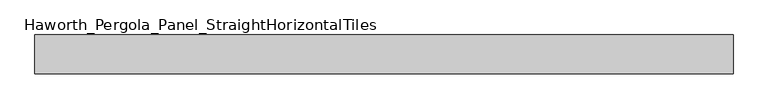
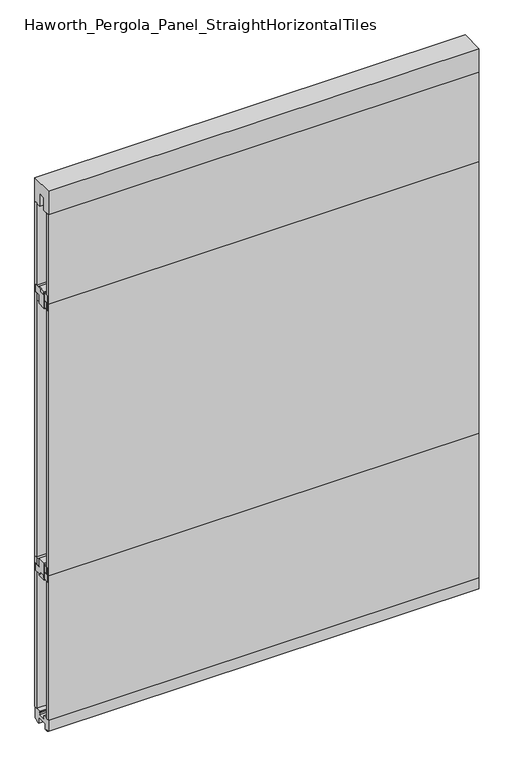
"""IFC4 building model written with IfcOpenShell, lengths in millimetres: furniture geometry, Haworth_Pergola_Panel_StraightHorizontalTiles."""

from ifc_helpers import new_model, si_unit, frame, origin, place, context, project, spatial, polyline, outline, extrude, source, transform, mapped, element, save


def haworth_pergola_panel_straighthorizontaltiles_06ec4934(model_context):
    return source(origin(), model_context, "Body", "SweptSolid", [
        extrude(outline(polyline([(12.7, 679.45), (12.7, 692.15), (-12.7, 692.15), (-12.7, 679.45), (-44.45, 679.45), (-44.45, 711.2), (-19.05, 711.2), (-19.05, 749.3), (19.05, 749.3), (19.05, 711.2), (44.45, 711.2), (44.45, 679.45), (12.7, 679.45)])), frame((-876.3, 0.0, 0.0), z_axis=(1.0, 0.0, 0.0), x_axis=(0.0, 1.0, 0.0)), (0.0, 0.0, 1.0), 1828.8),
        extrude(outline(polyline([(12.7, 1962.15), (44.45, 1962.15), (44.45, 1930.4), (19.05, 1930.4), (19.05, 1892.3), (-19.05, 1892.3), (-19.05, 1930.4), (-44.45, 1930.4), (-44.45, 1962.15), (-12.7, 1962.15), (-12.7, 1949.45), (12.7, 1949.45), (12.7, 1962.15)])), frame((-876.3, 0.0, 0.0), z_axis=(1.0, 0.0, 0.0), x_axis=(0.0, 1.0, 0.0)), (0.0, 0.0, 1.0), 1828.8),
        extrude(outline(polyline([(-876.3, 50.8), (952.5, 50.8), (952.5, 38.1), (-876.3, 38.1), (-876.3, 50.8)])), frame((0.0, 0.0, 711.2), z_axis=(0.0, 0.0, 1.0), x_axis=(1.0, 0.0, 0.0)), (0.0, 0.0, 1.0), 1219.2),
        extrude(outline(polyline([(-876.3, -38.1), (952.5, -38.1), (952.5, -50.8), (-876.3, -50.8), (-876.3, -38.1)])), frame((0.0, 0.0, 711.2), z_axis=(0.0, 0.0, 1.0), x_axis=(1.0, 0.0, 0.0)), (0.0, 0.0, 1.0), 1219.2),
        extrude(outline(polyline([(12.7, 1898.65), (12.7, 1911.35), (-12.7, 1911.35), (-12.7, 1898.65), (-44.45, 1898.65), (-44.45, 1930.4), (-19.05, 1930.4), (-19.05, 1968.5), (19.05, 1968.5), (19.05, 1930.4), (44.45, 1930.4), (44.45, 1898.65), (12.7, 1898.65)])), frame((-876.3, 0.0, 0.0), z_axis=(1.0, 0.0, 0.0), x_axis=(0.0, 1.0, 0.0)), (0.0, 0.0, 1.0), 1828.8),
        extrude(outline(polyline([(-876.3, 50.8), (952.5, 50.8), (952.5, 38.1), (-876.3, 38.1), (-876.3, 50.8)])), frame((0.0, 0.0, 1930.4), z_axis=(0.0, 0.0, 1.0), x_axis=(1.0, 0.0, 0.0)), (0.0, 0.0, 1.0), 401.4390625),
        extrude(outline(polyline([(-876.3, -38.1), (952.5, -38.1), (952.5, -50.8), (-876.3, -50.8), (-876.3, -38.1)])), frame((0.0, 0.0, 1930.4), z_axis=(0.0, 0.0, 1.0), x_axis=(1.0, 0.0, 0.0)), (0.0, 0.0, 1.0), 401.4390625),
        extrude(outline(polyline([(12.7, 742.95), (44.45, 742.95), (44.45, 711.2), (19.05, 711.2), (19.05, 673.1), (-19.05, 673.1), (-19.05, 711.2), (-44.45, 711.2), (-44.45, 742.95), (-12.7, 742.95), (-12.7, 730.25), (12.7, 730.25), (12.7, 742.95)])), frame((-876.3, 0.0, 0.0), z_axis=(1.0, 0.0, 0.0), x_axis=(0.0, 1.0, 0.0)), (0.0, 0.0, 1.0), 1828.8),
        extrude(outline(polyline([(-876.3, 50.8), (952.5, 50.8), (952.5, 38.1), (-876.3, 38.1), (-876.3, 50.8)])), frame((0.0, 0.0, 63.5), z_axis=(0.0, 0.0, 1.0), x_axis=(1.0, 0.0, 0.0)), (0.0, 0.0, 1.0), 647.7),
        extrude(outline(polyline([(-876.3, -38.1), (952.5, -38.1), (952.5, -50.8), (-876.3, -50.8), (-876.3, -38.1)])), frame((0.0, 0.0, 63.5), z_axis=(0.0, 0.0, 1.0), x_axis=(1.0, 0.0, 0.0)), (0.0, 0.0, 1.0), 647.7),
        extrude(outline(polyline([(-50.8, 2438.4), (50.8, 2438.4), (50.8, 2331.8390625), (15.2182948, 2331.8390625), (15.2182948, 2388.7001663), (-15.2182948, 2388.7001663), (-15.2182948, 2331.8390625), (-50.8, 2331.8390625), (-50.8, 2438.4)])), frame((-876.3, 0.0, 0.0), z_axis=(1.0, 0.0, 0.0), x_axis=(0.0, 1.0, 0.0)), (0.0, 0.0, 1.0), 1828.8),
        extrude(outline(polyline([(-16.2000002, 63.5), (-16.5085717, 61.7499999), (-13.3999996, 61.7499999), (-13.3999996, 58.8973461), (-15.4000002, 59.2499999), (-15.4000002, 48.3500004), (15.4000003, 48.3500004), (15.4000003, 59.2499999), (13.3999997, 58.8973461), (13.3999997, 61.7499999), (16.5085718, 61.7499999), (16.2000003, 63.5), (50.0000004, 63.5), (50.0000004, 12.6999985), (40.9499987, 12.6999985), (38.9499981, 10.6999979), (28.9499999, 10.6999979), (28.9499999, 7.6999994), (38.9499981, 7.6999994), (38.9499981, 5.6999988), (23.7499993, 5.6999988), (23.7499993, 31.4500009), (-23.7499992, 31.4500009), (-23.7499992, 5.6999988), (-38.949998, 5.6999988), (-38.949998, 7.6999994), (-28.9499998, 7.6999994), (-28.9499998, 10.6999979), (-38.949998, 10.6999979), (-40.9499986, 12.6999985), (-50.0000003, 12.6999985), (-50.0000003, 63.5), (-16.2000002, 63.5)])), frame((-876.3, 0.0, 0.0), z_axis=(1.0, 0.0, 0.0), x_axis=(0.0, 1.0, 0.0)), (0.0, 0.0, 1.0), 1828.8),
    ])


if __name__ == "__main__":
    model = new_model("IFC4")
    model_context = context("Model", 3, world=origin())
    ifc_project = project(units=[si_unit("LENGTHUNIT", "METRE", prefix="MILLI")], contexts=[model_context])
    site = spatial("IfcSite", under=ifc_project)
    building = spatial("IfcBuilding", under=site)
    placement = place(None, origin())
    haworth_pergola_panel_straighthorizontaltiles_shape = haworth_pergola_panel_straighthorizontaltiles_06ec4934(model_context)
    element("IfcFurniture", 1, ObjectType="Haworth_Pergola_Panel_StraightHorizontalTiles", at=placement, inside=building, context=model_context, shape_type="MappedRepresentation", body=[
        mapped(haworth_pergola_panel_straighthorizontaltiles_shape, transform((0.0, 0.0, 0.0), x_axis=(1.0, 0.0, 0.0), y_axis=(0.0, 1.0, 0.0), z_axis=(0.0, 0.0, 1.0))),
    ])
    save(model, "model.ifc")
